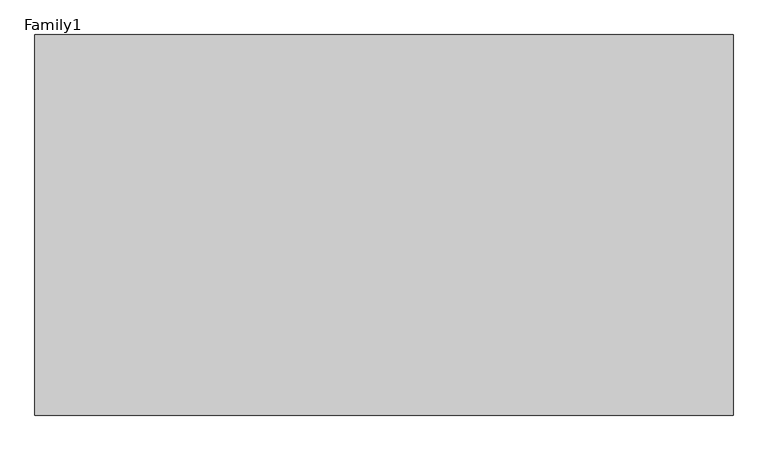
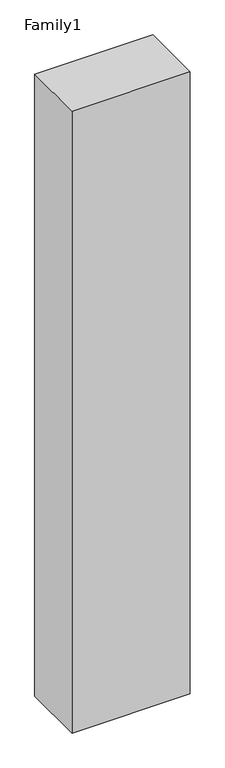
"""IFC4 building model written with IfcOpenShell, lengths in millimetres: proxy geometry, Family1."""

from ifc_helpers import new_model, si_unit, origin, origin_with_axes, place, context, project, spatial, polyline, outline, extrude, source, transform, mapped, element, save


def family1_0af4eb7f(model_context):
    return source(origin(), model_context, "Body", "SweptSolid", [
        extrude(outline(polyline([(5500.0, 0.0), (0.0, 0.0), (0.0, 3000.0), (5500.0, 3000.0), (5500.0, 0.0)])), origin_with_axes(), (0.0, 0.0, 1.0), 30580.0),
    ])


if __name__ == "__main__":
    model = new_model("IFC4")
    model_context = context("Model", 3, world=origin())
    ifc_project = project(units=[si_unit("LENGTHUNIT", "METRE", prefix="MILLI")], contexts=[model_context])
    site = spatial("IfcSite", under=ifc_project)
    building = spatial("IfcBuilding", under=site)
    placement = place(None, origin())
    family1_shape = family1_0af4eb7f(model_context)
    element("IfcBuildingElementProxy", 1, Name="Family1", ObjectType="Family1", at=placement, inside=building, context=model_context, shape_type="MappedRepresentation", body=[
        mapped(family1_shape, transform((0.0, 0.0, 0.0), x_axis=(1.0, 0.0, 0.0), y_axis=(0.0, 1.0, 0.0), z_axis=(0.0, 0.0, 1.0))),
    ])
    save(model, "model.ifc")
